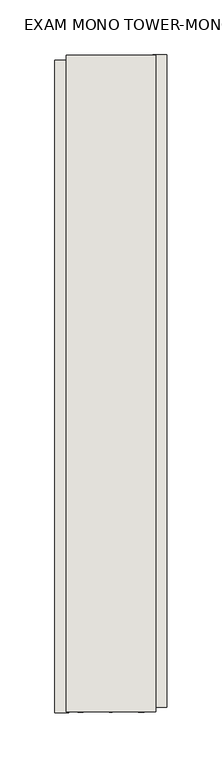
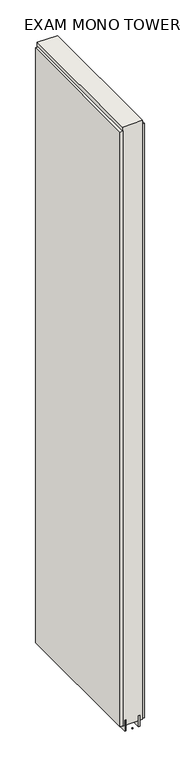
"""IFC4 building model written with IfcOpenShell, lengths in millimetres: wall geometry, EXAM MONO TOWER-MONO ACCENT 467698 : EXAM MONO TOWER-MONO ACCENT 467698."""

from ifc_helpers import new_model, si_unit, frame, origin, place, context, project, spatial, polyline, outline, extrude, source, transform, mapped, element, save


def exam_mono_tower_mono_accent_467698_exam_mono_tower_mono_fc536cf1(model_context):
    return source(origin(), model_context, "Body", "SweptSolid", [
        extrude(outline(polyline([(64721.142211, -56266.2883562), (64721.142211, -56263.7483562), (64723.682211, -56263.7483562), (64723.682211, -56266.2883562), (64721.142211, -56266.2883562)])), frame((0.0, 0.0, 4419.6), z_axis=(0.0, 0.0, 1.0), x_axis=(1.0, 0.0, 0.0)), (0.0, 0.0, 1.0), 2.54),
        extrude(outline(polyline([(64773.212211, -55668.9277526), (64773.212211, -56261.8277098), (64760.512211, -56261.8277098), (64760.512211, -55668.9277526), (64773.212211, -55668.9277526)])), frame((0.0, 0.0, 4445.0), z_axis=(0.0, 0.0, 1.0), x_axis=(1.0, 0.0, 0.0)), (0.0, 0.0, 1.0), 2545.0498756),
        extrude(outline(polyline([(64671.612211, -56266.751449), (64671.612211, -55673.8514918), (64684.312211, -55673.8514918), (64684.312211, -56266.751449), (64671.612211, -56266.751449)])), frame((0.0, 0.0, 4445.0), z_axis=(0.0, 0.0, 1.0), x_axis=(1.0, 0.0, 0.0)), (0.0, 0.0, 1.0), 2545.0498756),
        extrude(outline(polyline([(64747.4959556, -56266.2834032), (64747.4959556, -55669.3834032), (64752.574711, -55669.3834032), (64752.574711, -56266.2834032), (64747.4959556, -56266.2834032)])), frame((0.0, 0.0, 4418.6602), z_axis=(0.0, 0.0, 1.0), x_axis=(1.0, 0.0, 0.0)), (0.0, 0.0, 1.0), 47.625),
        extrude(outline(polyline([(64747.4959556, -56266.2834032), (64747.4959556, -55669.3834032), (64752.574711, -55669.3834032), (64752.574711, -56266.2834032), (64747.4959556, -56266.2834032)])), frame((0.0, 0.0, 4418.6602), z_axis=(0.0, 0.0, 1.0), x_axis=(1.0, 0.0, 0.0)), (0.0, 0.0, 1.0), 47.625),
        extrude(outline(polyline([(64697.3284664, -55669.3834032), (64697.3284664, -56266.2834032), (64692.249711, -56266.2834032), (64692.249711, -55669.3834032), (64697.3284664, -55669.3834032)])), frame((0.0, 0.0, 4418.6602), z_axis=(0.0, 0.0, 1.0), x_axis=(1.0, 0.0, 0.0)), (0.0, 0.0, 1.0), 47.625),
        extrude(outline(polyline([(64697.3284664, -55669.3834032), (64697.3284664, -56266.2834032), (64692.249711, -56266.2834032), (64692.249711, -55669.3834032), (64697.3284664, -55669.3834032)])), frame((0.0, 0.0, 4418.6602), z_axis=(0.0, 0.0, 1.0), x_axis=(1.0, 0.0, 0.0)), (0.0, 0.0, 1.0), 47.625),
        extrude(outline(polyline([(64763.0670954, -56266.2834032), (64681.7573266, -56266.2834032), (64681.7573266, -55669.3834032), (64763.0670954, -55669.3834032), (64763.0670954, -56266.2834032)])), frame((0.0, 0.0, 4445.0), z_axis=(0.0, 0.0, 1.0), x_axis=(1.0, 0.0, 0.0)), (0.0, 0.0, 1.0), 2562.4536762),
    ])


if __name__ == "__main__":
    model = new_model("IFC4")
    model_context = context("Model", 3, world=origin())
    ifc_project = project(units=[si_unit("LENGTHUNIT", "METRE", prefix="MILLI")], contexts=[model_context])
    site = spatial("IfcSite", under=ifc_project)
    building = spatial("IfcBuilding", under=site)
    placement = place(None, origin())
    exam_mono_tower_mono_accent_467698_exam_mono_tower_mono_shape = exam_mono_tower_mono_accent_467698_exam_mono_tower_mono_fc536cf1(model_context)
    element("IfcWall", 1, ObjectType="EXAM MONO TOWER-MONO ACCENT 467698 : EXAM MONO TOWER-MONO ACCENT 467698", at=placement, inside=building, context=model_context, shape_type="MappedRepresentation", body=[
        mapped(exam_mono_tower_mono_accent_467698_exam_mono_tower_mono_shape, transform((0.0, 0.0, 0.0), x_axis=(1.0, 0.0, 0.0), y_axis=(0.0, 1.0, 0.0), z_axis=(0.0, 0.0, 1.0))),
    ])
    save(model, "model.ifc")
